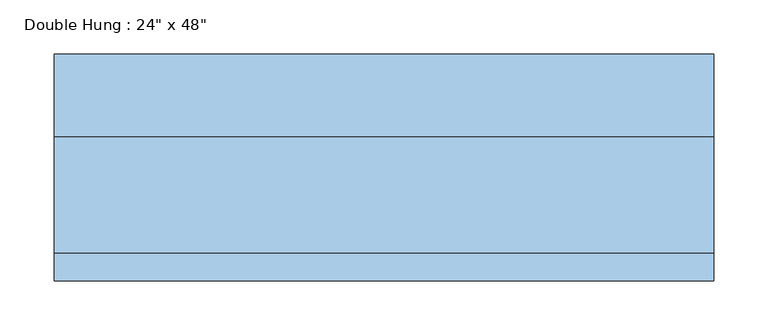
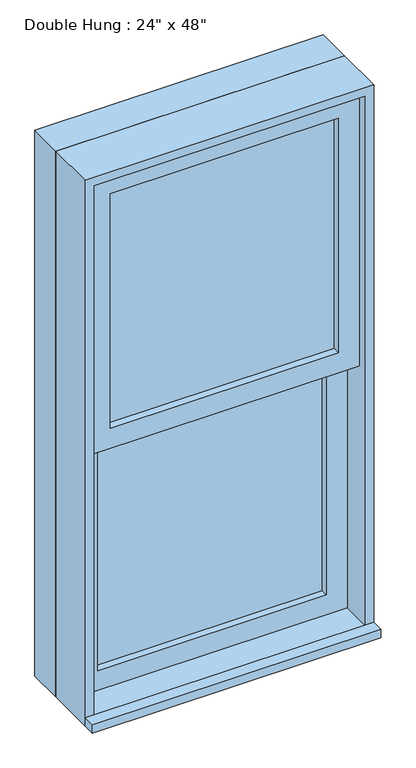
"""IFC4 building model written with IfcOpenShell, lengths in millimetres: window geometry."""

import ifcopenshell
import ifcopenshell.guid

model = None  # the IFC model being written
_history = None  # IfcOwnerHistory: only IFC2X3 demands one
_inside = {}  # id of a spatial element -> (the spatial element, [elements in it])
_under = {}  # id of a project, library or spatial element -> (it, [spatial elements below it])
_declared = {}  # id of a project -> (the project, [libraries it declares])
_typed = {}  # id of a type object -> (the type object, [elements of that type])
_made_of = {}  # id of a material, layer set ... -> (it, [elements and type objects made of it])


def new_model(schema):
    """Start an empty IFC model of exactly this schema.

    Asked for "IFC4X3", IfcOpenShell would pick the latest addendum, in which some entities
    have other attributes; the version numbers below select the first issue.
    IFC2X3 requires an IfcOwnerHistory on every rooted entity: one is made here for all.
    """
    global model, _history
    if schema == "IFC4X3":
        model = ifcopenshell.file(schema_version=(4, 3, 0, 0))
    else:
        model = ifcopenshell.file(schema=schema)
    _inside.clear()
    _under.clear()
    _declared.clear()
    _typed.clear()
    _made_of.clear()
    _history = None
    if model.schema == "IFC2X3":
        org = make("IfcOrganization", Name="unknown")
        user = make(
            "IfcPersonAndOrganization",
            ThePerson=make("IfcPerson", FamilyName="unknown"),
            TheOrganization=org,
        )
        app = make(
            "IfcApplication",
            ApplicationDeveloper=org,
            Version="unknown",
            ApplicationFullName="unknown",
            ApplicationIdentifier="unknown",
        )
        _history = make(
            "IfcOwnerHistory",
            OwningUser=user,
            OwningApplication=app,
            ChangeAction="ADDED",
            CreationDate=0,
        )
    return model


def make(cls, **values):
    """One entity of the class cls with the attributes given. An attribute that is None is left unset."""
    return model.create_entity(
        cls, **{name: value for name, value in values.items() if value is not None}
    )


def rooted(cls, **values):
    """An entity with a GlobalId (a new one), such as an element, a storey or a relation."""
    return make(cls, GlobalId=ifcopenshell.guid.new(), OwnerHistory=_history, **values)


def si_unit(unit_type, name, prefix=None):
    """IfcSIUnit, for example si_unit("LENGTHUNIT", "METRE", prefix="MILLI")."""
    return make("IfcSIUnit", UnitType=unit_type, Prefix=prefix, Name=name)


def assignment(units):
    """IfcUnitAssignment: the units of a project."""
    return None if units is None else make("IfcUnitAssignment", Units=units)


def point(xyz):
    """IfcCartesianPoint."""
    return None if xyz is None else make("IfcCartesianPoint", Coordinates=xyz)


def direction(xyz):
    """IfcDirection."""
    return None if xyz is None else make("IfcDirection", DirectionRatios=xyz)


def frame(location, z_axis=None, x_axis=None):
    """IfcAxis2Placement3D, a coordinate frame: its origin and axes. An axis left out is left unset."""
    return make(
        "IfcAxis2Placement3D",
        Location=point(location),
        Axis=direction(z_axis),
        RefDirection=direction(x_axis),
    )


def origin():
    """The frame at (0, 0, 0) with its axes left unset."""
    return frame((0.0, 0.0, 0.0))


def place(relative_to, where):
    """IfcLocalPlacement: puts the frame where relative to a parent placement (None: the world)."""
    return make(
        "IfcLocalPlacement", PlacementRelTo=relative_to, RelativePlacement=where
    )


def context(
    kind, dimensions, precision=None, world=None, true_north=None, identifier=None
):
    """IfcGeometricRepresentationContext, for example the 3D "Model" context."""
    return make(
        "IfcGeometricRepresentationContext",
        ContextIdentifier=identifier,
        ContextType=kind,
        CoordinateSpaceDimension=dimensions,
        Precision=precision,
        WorldCoordinateSystem=world,
        TrueNorth=true_north,
    )


def project(units=None, contexts=None):
    """IfcProject with its units and contexts."""
    return rooted(
        "IfcProject",
        Name="project",
        RepresentationContexts=contexts,
        UnitsInContext=assignment(units),
    )


def spatial(cls, under=None, at=None, **own):
    """A site, building, storey or space (cls), placed at a placement, below another one or the project."""
    s = rooted(cls, ObjectPlacement=at, **own)
    if under is not None:
        _under.setdefault(under.id(), (under, []))[1].append(s)
    return s


def polyline(points):
    """IfcPolyline through the points."""
    return make("IfcPolyline", Points=[point(p) for p in points])


def outline(outer, holes=None, kind="AREA"):
    """IfcArbitraryClosedProfileDef: a profile drawn as a closed curve; with holes, ...WithVoids."""
    if holes is None:
        return make("IfcArbitraryClosedProfileDef", ProfileType=kind, OuterCurve=outer)
    return make(
        "IfcArbitraryProfileDefWithVoids",
        ProfileType=kind,
        OuterCurve=outer,
        InnerCurves=holes,
    )


def extrude(swept, where, along, depth):
    """IfcExtrudedAreaSolid: the profile swept, set in the frame where, extruded along a direction by depth."""
    return make(
        "IfcExtrudedAreaSolid",
        SweptArea=swept,
        Position=where,
        ExtrudedDirection=direction(along),
        Depth=depth,
    )


def shape(context_of_items, identifier, shape_type, items):
    """IfcShapeRepresentation: the items that make up one representation, for example the "Body"."""
    return make(
        "IfcShapeRepresentation",
        ContextOfItems=context_of_items,
        RepresentationIdentifier=identifier,
        RepresentationType=shape_type,
        Items=items,
    )


def source(mapping_origin, context_of_items, identifier, shape_type, items):
    """IfcRepresentationMap: a shape defined once, which mapped items show again and again."""
    return make(
        "IfcRepresentationMap",
        MappingOrigin=mapping_origin,
        MappedRepresentation=shape(context_of_items, identifier, shape_type, items),
    )


def transform(
    local_origin,
    x_axis=None,
    y_axis=None,
    z_axis=None,
    scale=None,
    scale2=None,
    scale3=None,
    uniform=True,
):
    """IfcCartesianTransformationOperator3D, or its non-uniform kind. x_axis, y_axis, z_axis: its Axis1, 2, 3."""
    if uniform:
        return make(
            "IfcCartesianTransformationOperator3D",
            Axis1=direction(x_axis),
            Axis2=direction(y_axis),
            LocalOrigin=point(local_origin),
            Scale=scale,
            Axis3=direction(z_axis),
        )
    return make(
        "IfcCartesianTransformationOperator3DnonUniform",
        Axis1=direction(x_axis),
        Axis2=direction(y_axis),
        LocalOrigin=point(local_origin),
        Scale=scale,
        Axis3=direction(z_axis),
        Scale2=scale2,
        Scale3=scale3,
    )


def mapped(mapping_source, mapping_target):
    """IfcMappedItem: shows the shape of a source again, moved by a transform."""
    return make(
        "IfcMappedItem", MappingSource=mapping_source, MappingTarget=mapping_target
    )


def made_of(thing, what):
    """Note that an element or type object is made of a material, layer set ...; save() writes the relation."""
    if what is not None:
        _made_of.setdefault(what.id(), (what, []))[1].append(thing)
    return thing


def element(
    cls,
    number,
    at=None,
    inside=None,
    cuts=None,
    type_object=None,
    material=None,
    context=None,
    identifier="Body",
    shape_type=None,
    held_by="IfcProductDefinitionShape",
    body=None,
    shapes=None,
    **own,
):
    """One element of the class cls, such as IfcWall. Its Tag is "e" and its number.

    at: its placement. inside: the storey or other place that contains it. cuts: it is an
    opening in that element (IfcRelVoidsElement). A single representation is given by context,
    identifier, shape_type and body (its items); several are given by shapes. held_by: the class
    of the entity that holds the representations. save() writes the other relations.
    """
    e = rooted(cls, Tag="e%d" % number, ObjectPlacement=at, **own)
    if body is not None:
        shapes = [shape(context, identifier, shape_type, body)]
    if shapes is not None:
        e.Representation = make(held_by, Representations=shapes)
    if inside is not None:
        _inside.setdefault(inside.id(), (inside, []))[1].append(e)
    if cuts is not None:
        rooted(
            "IfcRelVoidsElement", RelatingBuildingElement=cuts, RelatedOpeningElement=e
        )
    if type_object is not None:
        _typed.setdefault(type_object.id(), (type_object, []))[1].append(e)
    return made_of(e, material)


def aggregate(whole, parts):
    """IfcRelAggregates: a whole, such as a stair, and the parts it consists of."""
    return rooted("IfcRelAggregates", RelatingObject=whole, RelatedObjects=parts)


def save(model, path):
    """Write the relations noted so far, then the file.

    IfcRelAggregates (storeys below a building ...), IfcRelContainedInSpatialStructure (elements
    in a storey), IfcRelDefinesByType, IfcRelAssociatesMaterial and IfcRelDeclares: one each for
    every whole, place, type object, material and project.
    """
    for whole, parts in _under.values():
        aggregate(whole, parts)
    for where, things in _inside.values():
        rooted(
            "IfcRelContainedInSpatialStructure",
            RelatedElements=things,
            RelatingStructure=where,
        )
    for kind, things in _typed.values():
        rooted("IfcRelDefinesByType", RelatedObjects=things, RelatingType=kind)
    for what, things in _made_of.values():
        rooted("IfcRelAssociatesMaterial", RelatedObjects=things, RelatingMaterial=what)
    for by, libraries in _declared.values():
        rooted("IfcRelDeclares", RelatingContext=by, RelatedDefinitions=libraries)
    model.write(path)


def window_578a2fde(model_context):
    return source(origin(), model_context, "Body", "SweptSolid", [
        extrude(outline(polyline([(-241.3, -12.7), (-241.3, 0.0), (241.3, 0.0), (241.3, -12.7), (-241.3, -12.7)])), frame((0.0, 0.0, 977.9), z_axis=(0.0, 0.0, 1.0), x_axis=(1.0, 0.0, 0.0)), (0.0, 0.0, 1.0), 523.875),
        extrude(outline(polyline([(1546.225, -285.75), (933.45, -285.75), (933.45, 285.75), (1546.225, 285.75), (1546.225, -285.75)]), holes=[polyline([(1501.775, -241.3), (1501.775, 241.3), (977.9, 241.3), (977.9, -241.3), (1501.775, -241.3)])]), frame((0.0, -28.575, 0.0), z_axis=(0.0, 1.0, 0.0), x_axis=(0.0, 0.0, 1.0)), (0.0, 0.0, 1.0), 44.45),
        extrude(outline(polyline([(-304.8, -117.475), (-304.8, -92.075), (304.8, -92.075), (304.8, -117.475), (-304.8, -117.475)])), frame((0.0, 0.0, 914.4), z_axis=(0.0, 0.0, 1.0), x_axis=(1.0, 0.0, 0.0)), (0.0, 0.0, 1.0), 19.05),
        extrude(outline(polyline([(241.3, -44.45), (241.3, -57.15), (-241.3, -57.15), (-241.3, -44.45), (241.3, -44.45)])), frame((0.0, 0.0, 1546.225), z_axis=(0.0, 0.0, 1.0), x_axis=(1.0, 0.0, 0.0)), (0.0, 0.0, 1.0), 523.875),
        extrude(outline(polyline([(2114.55, -285.75), (1501.775, -285.75), (1501.775, 285.75), (2114.55, 285.75), (2114.55, -285.75)]), holes=[polyline([(2070.1, -241.3), (2070.1, 241.3), (1546.225, 241.3), (1546.225, -241.3), (2070.1, -241.3)])]), frame((0.0, -73.025, 0.0), z_axis=(0.0, 1.0, 0.0), x_axis=(0.0, 0.0, 1.0)), (0.0, 0.0, 1.0), 44.45),
        extrude(outline(polyline([(2133.6, -304.8), (914.4, -304.8), (914.4, 304.8), (2133.6, 304.8), (2133.6, -304.8)]), holes=[polyline([(2101.85, -273.05), (2101.85, 273.05), (946.15, 273.05), (946.15, -273.05), (2101.85, -273.05)])]), frame((0.0, 15.875, 0.0), z_axis=(0.0, 1.0, 0.0), x_axis=(0.0, 0.0, 1.0)), (0.0, 0.0, 1.0), 76.2),
        extrude(outline(polyline([(2133.6, 304.8), (2133.6, -304.8), (914.4, -304.8), (914.4, 304.8), (2133.6, 304.8)]), holes=[polyline([(2114.55, 285.75), (933.45, 285.75), (933.45, -285.75), (2114.55, -285.75), (2114.55, 285.75)])]), frame((0.0, -92.075, 0.0), z_axis=(0.0, 1.0, 0.0), x_axis=(0.0, 0.0, 1.0)), (0.0, 0.0, 1.0), 107.95),
    ])


if __name__ == "__main__":
    model = new_model("IFC4")
    model_context = context("Model", 3, world=origin())
    ifc_project = project(units=[si_unit("LENGTHUNIT", "METRE", prefix="MILLI")], contexts=[model_context])
    site = spatial("IfcSite", under=ifc_project)
    building = spatial("IfcBuilding", under=site)
    placement = place(None, origin())
    window_shape = window_578a2fde(model_context)
    element("IfcWindow", 1, ObjectType="Double Hung : 24\" x 48\"", at=placement, inside=building, context=model_context, shape_type="MappedRepresentation", body=[
        mapped(window_shape, transform((0.0, 0.0, 0.0), x_axis=(1.0, 0.0, 0.0), y_axis=(0.0, 1.0, 0.0), z_axis=(0.0, 0.0, 1.0))),
    ])
    save(model, "model.ifc")
